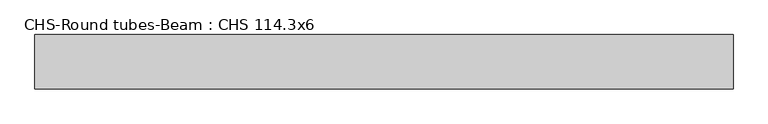
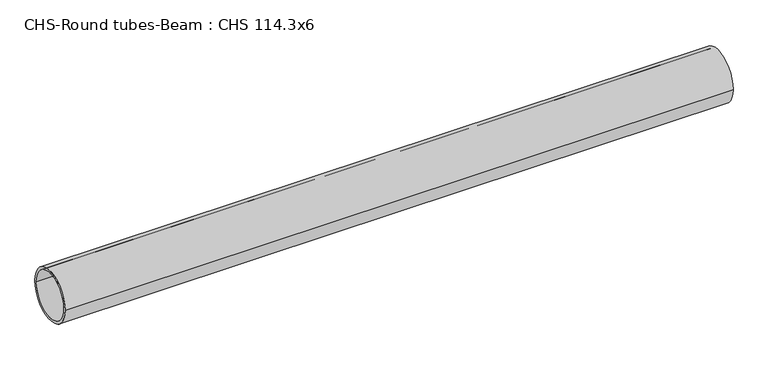
"""IFC4 building model written with IfcOpenShell, lengths in millimetres: beam geometry, CHS-Round tubes-Beam : CHS 114.3x6."""

from ifc_helpers import new_model, si_unit, point, frame, origin, origin_2d, place, context, project, spatial, circle_curve, trimmed, segment, composite_curve, outline, extrude, source, transform, mapped, element, save


def chs_round_tubes_beam_chs_114_3x6_c6021324(model_context):
    return source(origin(), model_context, "Body", "SweptSolid", [
        extrude(outline(composite_curve([segment(trimmed(circle_curve(origin_2d(), 57.15), [point((57.15, 0.0))], [point((-57.15, 0.0))], False, "CARTESIAN"), True, "CONTINUOUS"), segment(trimmed(circle_curve(origin_2d(), 57.15), [point((-57.15, 0.0))], [point((57.15, 0.0))], False, "CARTESIAN"), True, "CONTINUOUS")], self_intersect=False), holes=[composite_curve([segment(trimmed(circle_curve(origin_2d(), 51.15), [point((51.15, 0.0))], [point((-51.15, 0.0))], True, "CARTESIAN"), True, "CONTINUOUS"), segment(trimmed(circle_curve(origin_2d(), 51.15), [point((-51.15, 0.0))], [point((51.15, 0.0))], True, "CARTESIAN"), True, "CONTINUOUS")], self_intersect=False)]), frame((-735.5643918, 0.0, 0.0), z_axis=(1.0, 0.0, 0.0), x_axis=(0.0, 1.0, 0.0)), (0.0, 0.0, 1.0), 1462.6011514),
    ])


if __name__ == "__main__":
    model = new_model("IFC4")
    model_context = context("Model", 3, world=origin())
    ifc_project = project(units=[si_unit("LENGTHUNIT", "METRE", prefix="MILLI")], contexts=[model_context])
    site = spatial("IfcSite", under=ifc_project)
    building = spatial("IfcBuilding", under=site)
    placement = place(None, origin())
    chs_round_tubes_beam_chs_114_3x6_shape = chs_round_tubes_beam_chs_114_3x6_c6021324(model_context)
    element("IfcBeam", 1, ObjectType="CHS-Round tubes-Beam : CHS 114.3x6", at=placement, inside=building, context=model_context, shape_type="MappedRepresentation", body=[
        mapped(chs_round_tubes_beam_chs_114_3x6_shape, transform((0.0, 0.0, 0.0), x_axis=(1.0, 0.0, 0.0), y_axis=(0.0, 1.0, 0.0), z_axis=(0.0, 0.0, 1.0))),
    ])
    save(model, "model.ifc")
